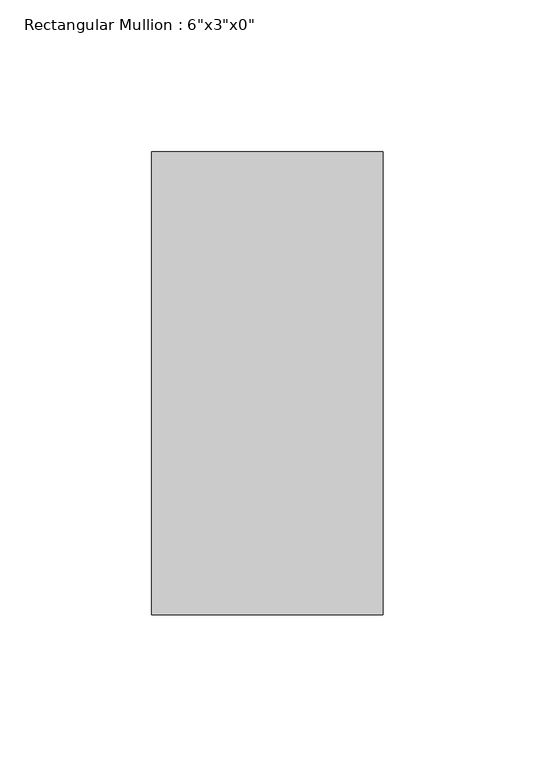
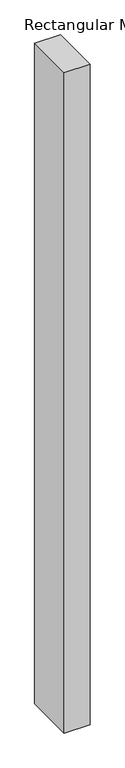
"""IFC4 building model written with IfcOpenShell, lengths in millimetres: member geometry."""

from ifc_helpers import new_model, si_unit, frame, origin, place, context, project, spatial, polyline, outline, extrude, source, transform, mapped, element, save


def member_901f7837(model_context):
    return source(origin(), model_context, "Body", "SweptSolid", [
        extrude(outline(polyline([(0.0, 76.2), (0.0, -76.2), (-76.2, -76.2), (-76.2, 76.2), (0.0, 76.2)])), frame((0.0, 0.0, -2076.45), z_axis=(0.0, 0.0, 1.0), x_axis=(1.0, 0.0, 0.0)), (0.0, 0.0, 1.0), 2076.45),
    ])


if __name__ == "__main__":
    model = new_model("IFC4")
    model_context = context("Model", 3, world=origin())
    ifc_project = project(units=[si_unit("LENGTHUNIT", "METRE", prefix="MILLI")], contexts=[model_context])
    site = spatial("IfcSite", under=ifc_project)
    building = spatial("IfcBuilding", under=site)
    placement = place(None, origin())
    member_shape = member_901f7837(model_context)
    element("IfcMember", 1, ObjectType="Rectangular Mullion : 6\"x3\"x0\"", at=placement, inside=building, context=model_context, shape_type="MappedRepresentation", body=[
        mapped(member_shape, transform((0.0, 0.0, 0.0), x_axis=(1.0, 0.0, 0.0), y_axis=(0.0, 1.0, 0.0), z_axis=(0.0, 0.0, 1.0))),
    ])
    save(model, "model.ifc")
